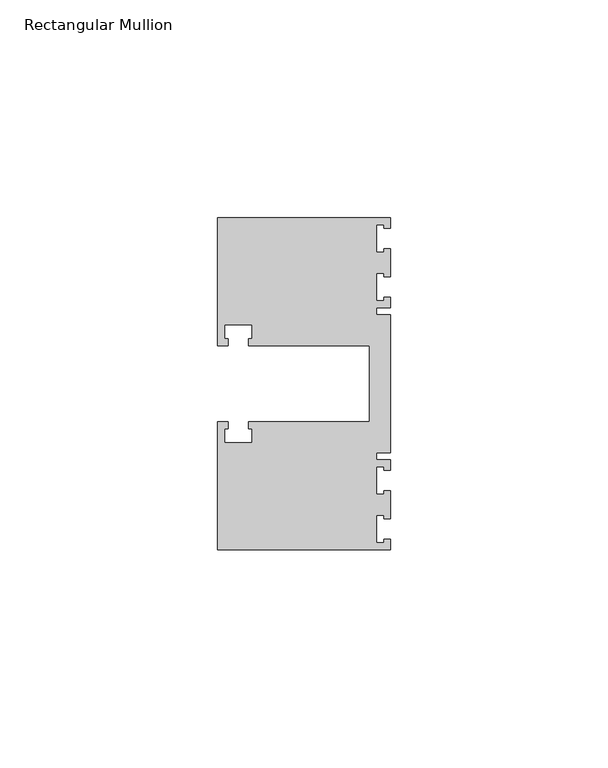
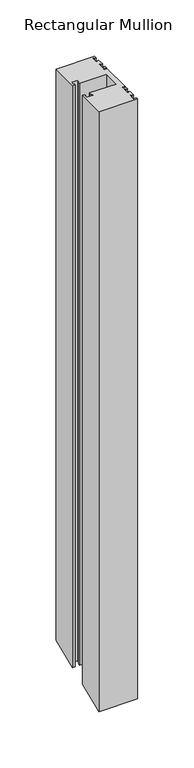
"""IFC4 building model written with IfcOpenShell, lengths in millimetres: member geometry, Rectangular Mullion."""

from ifc_helpers import new_model, si_unit, origin, place, context, project, spatial, faceted_brep, source, transform, mapped, element, save


def rectangular_mullion_2d0a3b6c(model_context):
    return source(origin(), model_context, "Body", "Brep", [
        faceted_brep([(0.0, 38.1, 0.0), (-39.6875, 38.1, 0.0), (-39.6875, 8.73125, 0.0), (-37.30625, 8.73125, 0.0), (-37.30625, 10.31875, 0.0), (-38.1, 10.31875, 0.0), (-38.1, 13.49375, 0.0), (-31.75, 13.49375, 0.0), (-31.75, 10.31875, 0.0), (-32.54375, 10.31875, 0.0), (-32.54375, 8.73125, 0.0), (-4.8585733, 8.73125, 0.0), (-4.8585733, -8.73125, 0.0), (-32.54375, -8.73125, 0.0), (-32.54375, -10.31875, 0.0), (-31.75, -10.31875, 0.0), (-31.75, -13.49375, 0.0), (-38.1, -13.49375, 0.0), (-38.1, -10.31875, 0.0), (-37.30625, -10.31875, 0.0), (-37.30625, -8.73125, 0.0), (-39.6875, -8.73125, 0.0), (-39.6875, -38.1, 0.0), (0.0, -38.1, 0.0), (0.0, -35.71875, 0.0), (-1.4999946, -35.71875, 0.0), (-1.4999946, -36.5125, 0.0), (-3.175, -36.5125, 0.0), (-3.175, -30.1625, 0.0), (-1.4999946, -30.1625, 0.0), (-1.4999946, -30.95625, 0.0), (0.0, -30.95625, 0.0), (0.0, -24.60625, 0.0), (-1.4999946, -24.60625, 0.0), (-1.4999946, -25.4, 0.0), (-3.175, -25.4, 0.0), (-3.175, -19.05, 0.0), (-1.4999946, -19.05, 0.0), (-1.4999946, -19.84375, 0.0), (0.0, -19.84375, 0.0), (0.0, -17.4625, 0.0), (-3.175, -17.4625, 0.0), (-3.175, -15.875, 0.0), (0.0, -15.875, 0.0), (0.0, 15.875, 0.0), (-3.175, 15.875, 0.0), (-3.175, 17.4625, 0.0), (0.0, 17.4625, 0.0), (0.0, 19.84375, 0.0), (-1.4999946, 19.84375, 0.0), (-1.4999946, 19.05, 0.0), (-3.175, 19.05, 0.0), (-3.175, 25.4, 0.0), (-1.4999946, 25.4, 0.0), (-1.4999946, 24.60625, 0.0), (0.0, 24.60625, 0.0), (0.0, 30.95625, 0.0), (-1.4999946, 30.95625, 0.0), (-1.4999946, 30.1625, 0.0), (-3.175, 30.1625, 0.0), (-3.175, 36.5125, 0.0), (-1.4999946, 36.5125, 0.0), (-1.4999946, 35.71875, 0.0), (0.0, 35.71875, 0.0), (0.0, 38.1, -619.2184633), (-39.6875, 38.1, -619.2184633), (-39.6875, 8.73125, -631.3833978), (-37.30625, 8.73125, -631.3833978), (-37.30625, 10.31875, -630.7258338), (-38.1, 10.31875, -630.7258338), (-38.1, 13.49375, -629.4107057), (-31.75, 13.49375, -629.4107057), (-31.75, 10.31875, -630.7258338), (-32.54375, 10.31875, -630.7258338), (-32.54375, 8.73125, -631.3833978), (-4.8585733, 8.73125, -631.3833978), (-4.8585733, -8.73125, -638.6166022), (-32.54375, -8.73125, -638.6166022), (-32.54375, -10.31875, -639.2741662), (-31.75, -10.31875, -639.2741662), (-31.75, -13.49375, -640.5892943), (-38.1, -13.49375, -640.5892943), (-38.1, -10.31875, -639.2741662), (-37.30625, -10.31875, -639.2741662), (-37.30625, -8.73125, -638.6166022), (-39.6875, -8.73125, -638.6166022), (-39.6875, -38.1, -650.7815367), (0.0, -38.1, -650.7815367), (0.0, -35.71875, -649.7951907), (-1.4999946, -35.71875, -649.7951907), (-1.4999946, -36.5125, -650.1239727), (-3.175, -36.5125, -650.1239727), (-3.175, -30.1625, -647.4937166), (-1.4999946, -30.1625, -647.4937166), (-1.4999946, -30.95625, -647.8224986), (0.0, -30.95625, -647.8224986), (0.0, -24.60625, -645.1922425), (-1.4999946, -24.60625, -645.1922425), (-1.4999946, -25.4, -645.5210245), (-3.175, -25.4, -645.5210245), (-3.175, -19.05, -642.8907684), (-1.4999946, -19.05, -642.8907684), (-1.4999946, -19.84375, -643.2195504), (0.0, -19.84375, -643.2195504), (0.0, -17.4625, -642.2332043), (-3.175, -17.4625, -642.2332043), (-3.175, -15.875, -641.5756403), (0.0, -15.875, -641.5756403), (0.0, 15.875, -628.4243597), (-3.175, 15.875, -628.4243597), (-3.175, 17.4625, -627.7667957), (0.0, 17.4625, -627.7667957), (0.0, 19.84375, -626.7804496), (-1.4999946, 19.84375, -626.7804496), (-1.4999946, 19.05, -627.1092316), (-3.175, 19.05, -627.1092316), (-3.175, 25.4, -624.4789755), (-1.4999946, 25.4, -624.4789755), (-1.4999946, 24.60625, -624.8077575), (0.0, 24.60625, -624.8077575), (0.0, 30.95625, -622.1775014), (-1.4999946, 30.95625, -622.1775014), (-1.4999946, 30.1625, -622.5062834), (-3.175, 30.1625, -622.5062834), (-3.175, 36.5125, -619.8760273), (-1.4999946, 36.5125, -619.8760273), (-1.4999946, 35.71875, -620.2048093), (0.0, 35.71875, -620.2048093)], [[[0, 1, 2, 3, 4, 5, 6, 7, 8, 9, 10, 11, 12, 13, 14, 15, 16, 17, 18, 19, 20, 21, 22, 23, 24, 25, 26, 27, 28, 29, 30, 31, 32, 33, 34, 35, 36, 37, 38, 39, 40, 41, 42, 43, 44, 45, 46, 47, 48, 49, 50, 51, 52, 53, 54, 55, 56, 57, 58, 59, 60, 61, 62, 63]], [[1, 0, 64, 65]], [[2, 1, 65, 66]], [[3, 2, 66, 67]], [[4, 3, 67, 68]], [[5, 4, 68, 69]], [[6, 5, 69, 70]], [[7, 6, 70, 71]], [[8, 7, 71, 72]], [[9, 8, 72, 73]], [[10, 9, 73, 74]], [[11, 10, 74, 75]], [[12, 11, 75, 76]], [[13, 12, 76, 77]], [[14, 13, 77, 78]], [[15, 14, 78, 79]], [[16, 15, 79, 80]], [[17, 16, 80, 81]], [[18, 17, 81, 82]], [[19, 18, 82, 83]], [[20, 19, 83, 84]], [[21, 20, 84, 85]], [[22, 21, 85, 86]], [[23, 22, 86, 87]], [[24, 23, 87, 88]], [[25, 24, 88, 89]], [[26, 25, 89, 90]], [[27, 26, 90, 91]], [[28, 27, 91, 92]], [[29, 28, 92, 93]], [[30, 29, 93, 94]], [[31, 30, 94, 95]], [[32, 31, 95, 96]], [[33, 32, 96, 97]], [[34, 33, 97, 98]], [[35, 34, 98, 99]], [[36, 35, 99, 100]], [[37, 36, 100, 101]], [[38, 37, 101, 102]], [[39, 38, 102, 103]], [[40, 39, 103, 104]], [[41, 40, 104, 105]], [[42, 41, 105, 106]], [[43, 42, 106, 107]], [[44, 43, 107, 108]], [[45, 44, 108, 109]], [[46, 45, 109, 110]], [[47, 46, 110, 111]], [[48, 47, 111, 112]], [[49, 48, 112, 113]], [[50, 49, 113, 114]], [[51, 50, 114, 115]], [[52, 51, 115, 116]], [[53, 52, 116, 117]], [[54, 53, 117, 118]], [[55, 54, 118, 119]], [[56, 55, 119, 120]], [[57, 56, 120, 121]], [[58, 57, 121, 122]], [[59, 58, 122, 123]], [[60, 59, 123, 124]], [[61, 60, 124, 125]], [[62, 61, 125, 126]], [[63, 62, 126, 127]], [[0, 63, 127, 64]], [[64, 127, 126, 125, 124, 123, 122, 121, 120, 119, 118, 117, 116, 115, 114, 113, 112, 111, 110, 109, 108, 107, 106, 105, 104, 103, 102, 101, 100, 99, 98, 97, 96, 95, 94, 93, 92, 91, 90, 89, 88, 87, 86, 85, 84, 83, 82, 81, 80, 79, 78, 77, 76, 75, 74, 73, 72, 71, 70, 69, 68, 67, 66, 65]]]),
    ])


if __name__ == "__main__":
    model = new_model("IFC4")
    model_context = context("Model", 3, world=origin())
    ifc_project = project(units=[si_unit("LENGTHUNIT", "METRE", prefix="MILLI")], contexts=[model_context])
    site = spatial("IfcSite", under=ifc_project)
    building = spatial("IfcBuilding", under=site)
    placement = place(None, origin())
    rectangular_mullion_shape = rectangular_mullion_2d0a3b6c(model_context)
    element("IfcMember", 1, ObjectType="Rectangular Mullion", at=placement, inside=building, context=model_context, shape_type="MappedRepresentation", body=[
        mapped(rectangular_mullion_shape, transform((0.0, 0.0, 0.0), x_axis=(1.0, 0.0, 0.0), y_axis=(0.0, 1.0, 0.0), z_axis=(0.0, 0.0, 1.0))),
    ])
    save(model, "model.ifc")
